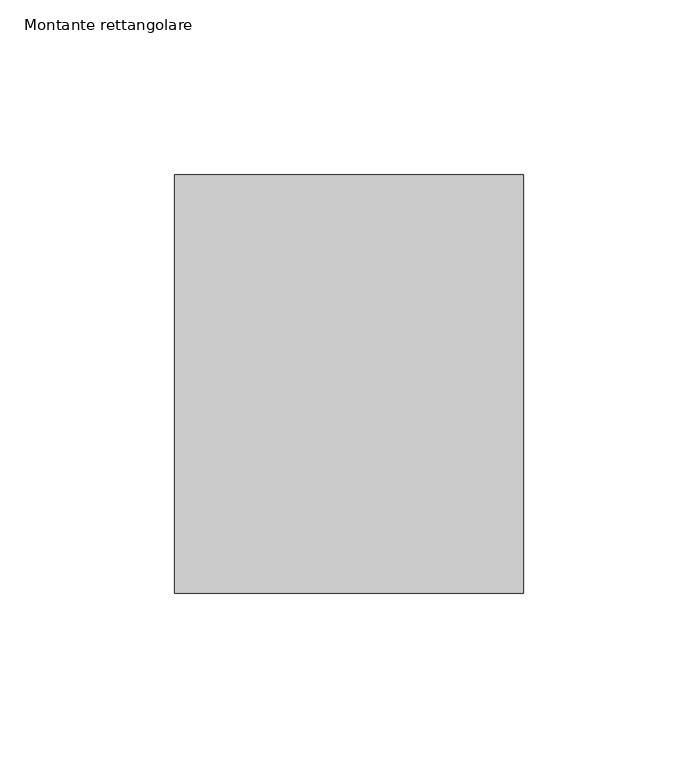
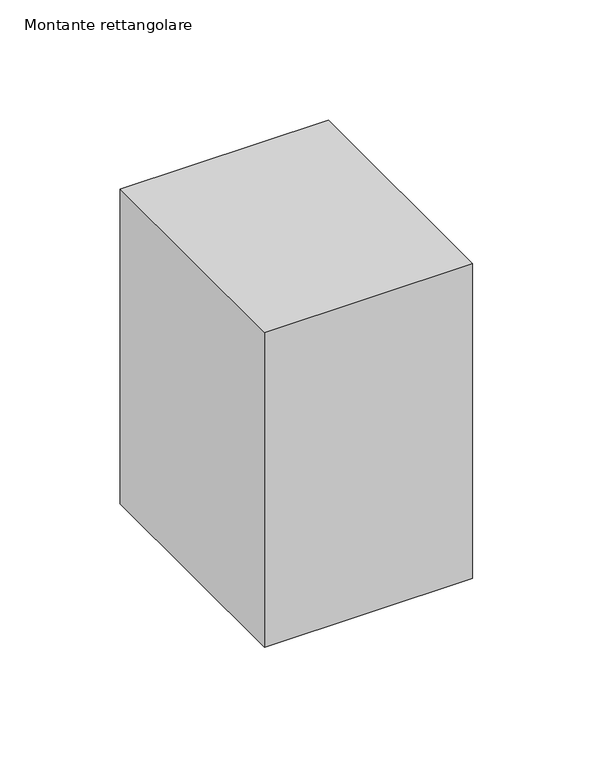
"""IFC4 building model written with IfcOpenShell, lengths in millimetres: member geometry, Montante rettangolare."""

from ifc_helpers import new_model, si_unit, frame, origin, place, context, project, spatial, polyline, outline, extrude, source, transform, mapped, element, save


def montante_rettangolare_2a0742ec(model_context):
    return source(origin(), model_context, "Body", "SweptSolid", [
        extrude(outline(polyline([(0.0, 60.0), (0.0, -60.0), (-100.0, -60.0), (-100.0, 60.0), (0.0, 60.0)])), frame((0.0, 0.0, -160.0), z_axis=(0.0, 0.0, 1.0), x_axis=(1.0, 0.0, 0.0)), (0.0, 0.0, 1.0), 160.0),
    ])


if __name__ == "__main__":
    model = new_model("IFC4")
    model_context = context("Model", 3, world=origin())
    ifc_project = project(units=[si_unit("LENGTHUNIT", "METRE", prefix="MILLI")], contexts=[model_context])
    site = spatial("IfcSite", under=ifc_project)
    building = spatial("IfcBuilding", under=site)
    placement = place(None, origin())
    montante_rettangolare_shape = montante_rettangolare_2a0742ec(model_context)
    element("IfcMember", 1, ObjectType="Montante rettangolare", at=placement, inside=building, context=model_context, shape_type="MappedRepresentation", body=[
        mapped(montante_rettangolare_shape, transform((0.0, 0.0, 0.0), x_axis=(1.0, 0.0, 0.0), y_axis=(0.0, 1.0, 0.0), z_axis=(0.0, 0.0, 1.0))),
    ])
    save(model, "model.ifc")
